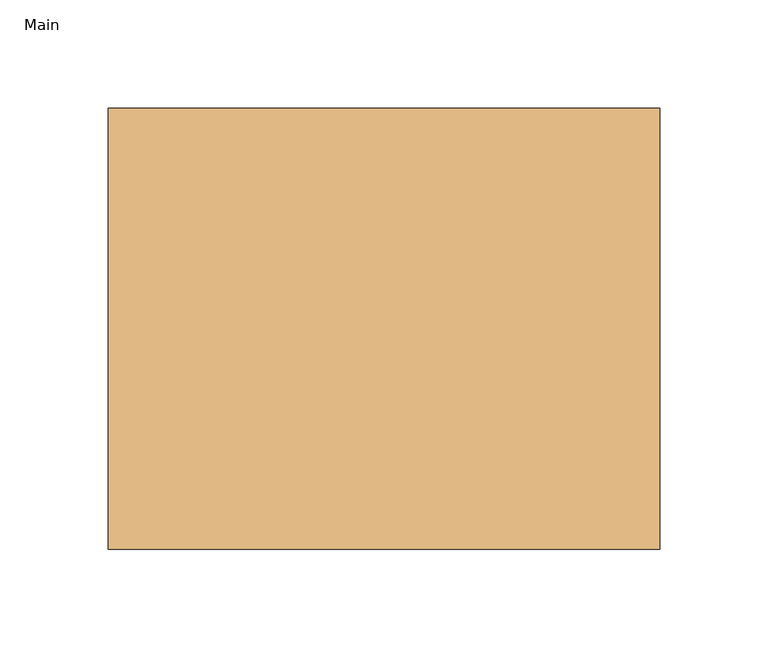
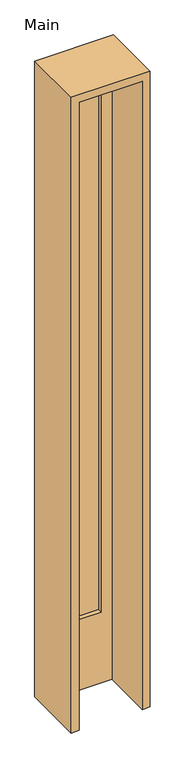
"""IFC4 building model written with IfcOpenShell, lengths in millimetres: door geometry, Main."""

import ifcopenshell
import ifcopenshell.guid

model = None  # the IFC model being written
_history = None  # IfcOwnerHistory: only IFC2X3 demands one
_inside = {}  # id of a spatial element -> (the spatial element, [elements in it])
_under = {}  # id of a project, library or spatial element -> (it, [spatial elements below it])
_declared = {}  # id of a project -> (the project, [libraries it declares])
_typed = {}  # id of a type object -> (the type object, [elements of that type])
_made_of = {}  # id of a material, layer set ... -> (it, [elements and type objects made of it])


def new_model(schema):
    """Start an empty IFC model of exactly this schema.

    Asked for "IFC4X3", IfcOpenShell would pick the latest addendum, in which some entities
    have other attributes; the version numbers below select the first issue.
    IFC2X3 requires an IfcOwnerHistory on every rooted entity: one is made here for all.
    """
    global model, _history
    if schema == "IFC4X3":
        model = ifcopenshell.file(schema_version=(4, 3, 0, 0))
    else:
        model = ifcopenshell.file(schema=schema)
    _inside.clear()
    _under.clear()
    _declared.clear()
    _typed.clear()
    _made_of.clear()
    _history = None
    if model.schema == "IFC2X3":
        org = make("IfcOrganization", Name="unknown")
        user = make(
            "IfcPersonAndOrganization",
            ThePerson=make("IfcPerson", FamilyName="unknown"),
            TheOrganization=org,
        )
        app = make(
            "IfcApplication",
            ApplicationDeveloper=org,
            Version="unknown",
            ApplicationFullName="unknown",
            ApplicationIdentifier="unknown",
        )
        _history = make(
            "IfcOwnerHistory",
            OwningUser=user,
            OwningApplication=app,
            ChangeAction="ADDED",
            CreationDate=0,
        )
    return model


def make(cls, **values):
    """One entity of the class cls with the attributes given. An attribute that is None is left unset."""
    return model.create_entity(
        cls, **{name: value for name, value in values.items() if value is not None}
    )


def rooted(cls, **values):
    """An entity with a GlobalId (a new one), such as an element, a storey or a relation."""
    return make(cls, GlobalId=ifcopenshell.guid.new(), OwnerHistory=_history, **values)


def si_unit(unit_type, name, prefix=None):
    """IfcSIUnit, for example si_unit("LENGTHUNIT", "METRE", prefix="MILLI")."""
    return make("IfcSIUnit", UnitType=unit_type, Prefix=prefix, Name=name)


def assignment(units):
    """IfcUnitAssignment: the units of a project."""
    return None if units is None else make("IfcUnitAssignment", Units=units)


def point(xyz):
    """IfcCartesianPoint."""
    return None if xyz is None else make("IfcCartesianPoint", Coordinates=xyz)


def direction(xyz):
    """IfcDirection."""
    return None if xyz is None else make("IfcDirection", DirectionRatios=xyz)


def frame(location, z_axis=None, x_axis=None):
    """IfcAxis2Placement3D, a coordinate frame: its origin and axes. An axis left out is left unset."""
    return make(
        "IfcAxis2Placement3D",
        Location=point(location),
        Axis=direction(z_axis),
        RefDirection=direction(x_axis),
    )


def origin():
    """The frame at (0, 0, 0) with its axes left unset."""
    return frame((0.0, 0.0, 0.0))


def place(relative_to, where):
    """IfcLocalPlacement: puts the frame where relative to a parent placement (None: the world)."""
    return make(
        "IfcLocalPlacement", PlacementRelTo=relative_to, RelativePlacement=where
    )


def context(
    kind, dimensions, precision=None, world=None, true_north=None, identifier=None
):
    """IfcGeometricRepresentationContext, for example the 3D "Model" context."""
    return make(
        "IfcGeometricRepresentationContext",
        ContextIdentifier=identifier,
        ContextType=kind,
        CoordinateSpaceDimension=dimensions,
        Precision=precision,
        WorldCoordinateSystem=world,
        TrueNorth=true_north,
    )


def project(units=None, contexts=None):
    """IfcProject with its units and contexts."""
    return rooted(
        "IfcProject",
        Name="project",
        RepresentationContexts=contexts,
        UnitsInContext=assignment(units),
    )


def spatial(cls, under=None, at=None, **own):
    """A site, building, storey or space (cls), placed at a placement, below another one or the project."""
    s = rooted(cls, ObjectPlacement=at, **own)
    if under is not None:
        _under.setdefault(under.id(), (under, []))[1].append(s)
    return s


def polyline(points):
    """IfcPolyline through the points."""
    return make("IfcPolyline", Points=[point(p) for p in points])


def outline(outer, holes=None, kind="AREA"):
    """IfcArbitraryClosedProfileDef: a profile drawn as a closed curve; with holes, ...WithVoids."""
    if holes is None:
        return make("IfcArbitraryClosedProfileDef", ProfileType=kind, OuterCurve=outer)
    return make(
        "IfcArbitraryProfileDefWithVoids",
        ProfileType=kind,
        OuterCurve=outer,
        InnerCurves=holes,
    )


def extrude(swept, where, along, depth):
    """IfcExtrudedAreaSolid: the profile swept, set in the frame where, extruded along a direction by depth."""
    return make(
        "IfcExtrudedAreaSolid",
        SweptArea=swept,
        Position=where,
        ExtrudedDirection=direction(along),
        Depth=depth,
    )


def shape(context_of_items, identifier, shape_type, items):
    """IfcShapeRepresentation: the items that make up one representation, for example the "Body"."""
    return make(
        "IfcShapeRepresentation",
        ContextOfItems=context_of_items,
        RepresentationIdentifier=identifier,
        RepresentationType=shape_type,
        Items=items,
    )


def source(mapping_origin, context_of_items, identifier, shape_type, items):
    """IfcRepresentationMap: a shape defined once, which mapped items show again and again."""
    return make(
        "IfcRepresentationMap",
        MappingOrigin=mapping_origin,
        MappedRepresentation=shape(context_of_items, identifier, shape_type, items),
    )


def transform(
    local_origin,
    x_axis=None,
    y_axis=None,
    z_axis=None,
    scale=None,
    scale2=None,
    scale3=None,
    uniform=True,
):
    """IfcCartesianTransformationOperator3D, or its non-uniform kind. x_axis, y_axis, z_axis: its Axis1, 2, 3."""
    if uniform:
        return make(
            "IfcCartesianTransformationOperator3D",
            Axis1=direction(x_axis),
            Axis2=direction(y_axis),
            LocalOrigin=point(local_origin),
            Scale=scale,
            Axis3=direction(z_axis),
        )
    return make(
        "IfcCartesianTransformationOperator3DnonUniform",
        Axis1=direction(x_axis),
        Axis2=direction(y_axis),
        LocalOrigin=point(local_origin),
        Scale=scale,
        Axis3=direction(z_axis),
        Scale2=scale2,
        Scale3=scale3,
    )


def mapped(mapping_source, mapping_target):
    """IfcMappedItem: shows the shape of a source again, moved by a transform."""
    return make(
        "IfcMappedItem", MappingSource=mapping_source, MappingTarget=mapping_target
    )


def made_of(thing, what):
    """Note that an element or type object is made of a material, layer set ...; save() writes the relation."""
    if what is not None:
        _made_of.setdefault(what.id(), (what, []))[1].append(thing)
    return thing


def element(
    cls,
    number,
    at=None,
    inside=None,
    cuts=None,
    type_object=None,
    material=None,
    context=None,
    identifier="Body",
    shape_type=None,
    held_by="IfcProductDefinitionShape",
    body=None,
    shapes=None,
    **own,
):
    """One element of the class cls, such as IfcWall. Its Tag is "e" and its number.

    at: its placement. inside: the storey or other place that contains it. cuts: it is an
    opening in that element (IfcRelVoidsElement). A single representation is given by context,
    identifier, shape_type and body (its items); several are given by shapes. held_by: the class
    of the entity that holds the representations. save() writes the other relations.
    """
    e = rooted(cls, Tag="e%d" % number, ObjectPlacement=at, **own)
    if body is not None:
        shapes = [shape(context, identifier, shape_type, body)]
    if shapes is not None:
        e.Representation = make(held_by, Representations=shapes)
    if inside is not None:
        _inside.setdefault(inside.id(), (inside, []))[1].append(e)
    if cuts is not None:
        rooted(
            "IfcRelVoidsElement", RelatingBuildingElement=cuts, RelatedOpeningElement=e
        )
    if type_object is not None:
        _typed.setdefault(type_object.id(), (type_object, []))[1].append(e)
    return made_of(e, material)


def aggregate(whole, parts):
    """IfcRelAggregates: a whole, such as a stair, and the parts it consists of."""
    return rooted("IfcRelAggregates", RelatingObject=whole, RelatedObjects=parts)


def save(model, path):
    """Write the relations noted so far, then the file.

    IfcRelAggregates (storeys below a building ...), IfcRelContainedInSpatialStructure (elements
    in a storey), IfcRelDefinesByType, IfcRelAssociatesMaterial and IfcRelDeclares: one each for
    every whole, place, type object, material and project.
    """
    for whole, parts in _under.values():
        aggregate(whole, parts)
    for where, things in _inside.values():
        rooted(
            "IfcRelContainedInSpatialStructure",
            RelatedElements=things,
            RelatingStructure=where,
        )
    for kind, things in _typed.values():
        rooted("IfcRelDefinesByType", RelatedObjects=things, RelatingType=kind)
    for what, things in _made_of.values():
        rooted("IfcRelAssociatesMaterial", RelatedObjects=things, RelatingMaterial=what)
    for by, libraries in _declared.values():
        rooted("IfcRelDeclares", RelatingContext=by, RelatedDefinitions=libraries)
    model.write(path)


def main_68690e52(model_context):
    return source(origin(), model_context, "Body", "SweptSolid", [
        extrude(outline(polyline([(2133.6, -101.6), (0.0, -101.6), (0.0, 101.6), (2133.6, 101.6), (2133.6, -101.6)]), holes=[polyline([(241.3, -66.675), (2012.95, -66.675), (2012.95, 66.675), (241.3, 66.675), (241.3, -66.675)])]), frame((0.0, 63.5, 0.0), z_axis=(0.0, 1.0, 0.0), x_axis=(0.0, 0.0, 1.0)), (0.0, 0.0, 1.0), 34.925),
        extrude(outline(polyline([(0.0, 101.6), (0.0, 127.0), (2159.0, 127.0), (2159.0, -127.0), (0.0, -127.0), (0.0, -101.6), (2133.6, -101.6), (2133.6, 101.6), (0.0, 101.6)])), frame((0.0, -104.775, 0.0), z_axis=(0.0, 1.0, 0.0), x_axis=(0.0, 0.0, 1.0)), (0.0, 0.0, 1.0), 203.2),
        extrude(outline(polyline([(66.675, 77.47), (-66.675, 77.47), (-66.675, 84.455), (66.675, 84.455), (66.675, 77.47)])), frame((0.0, 0.0, 241.3), z_axis=(0.0, 0.0, 1.0), x_axis=(1.0, 0.0, 0.0)), (0.0, 0.0, 1.0), 1771.65),
    ])


if __name__ == "__main__":
    model = new_model("IFC4")
    model_context = context("Model", 3, world=origin())
    ifc_project = project(units=[si_unit("LENGTHUNIT", "METRE", prefix="MILLI")], contexts=[model_context])
    site = spatial("IfcSite", under=ifc_project)
    building = spatial("IfcBuilding", under=site)
    placement = place(None, origin())
    main_shape = main_68690e52(model_context)
    element("IfcDoor", 1, ObjectType="Main", at=placement, inside=building, context=model_context, shape_type="MappedRepresentation", body=[
        mapped(main_shape, transform((0.0, 0.0, 0.0), x_axis=(1.0, 0.0, 0.0), y_axis=(0.0, 1.0, 0.0), z_axis=(0.0, 0.0, 1.0))),
    ])
    save(model, "model.ifc")
